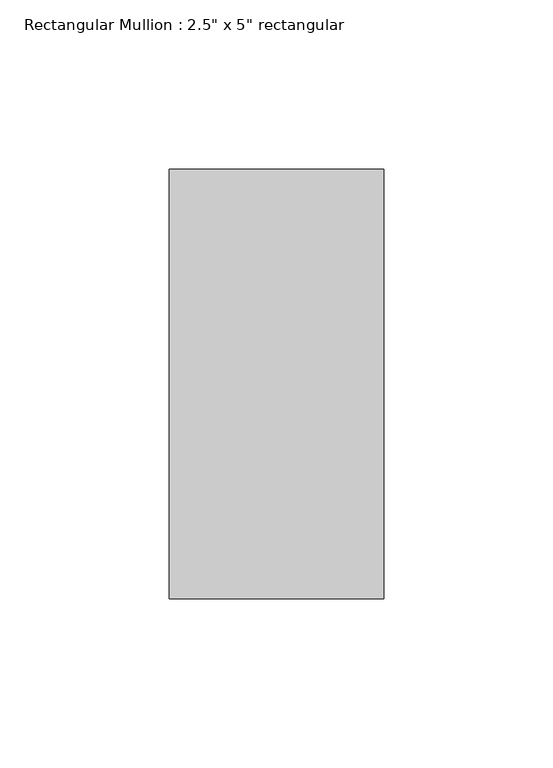
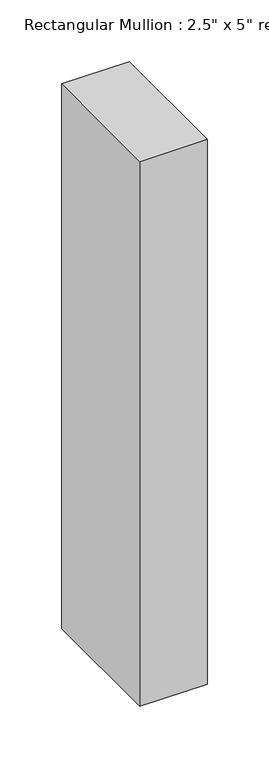
"""IFC4 building model written with IfcOpenShell, lengths in millimetres: member geometry."""

from ifc_helpers import new_model, si_unit, frame, origin, place, context, project, spatial, polyline, outline, extrude, source, transform, mapped, element, save


def member_4ba58ad7(model_context):
    return source(origin(), model_context, "Body", "SweptSolid", [
        extrude(outline(polyline([(31.75, 63.5), (31.75, -63.5), (-31.75, -63.5), (-31.75, 63.5), (31.75, 63.5)])), frame((0.0, 0.0, -540.281477), z_axis=(0.0, 0.0, 1.0), x_axis=(1.0, 0.0, 0.0)), (0.0, 0.0, 1.0), 540.281477),
    ])


if __name__ == "__main__":
    model = new_model("IFC4")
    model_context = context("Model", 3, world=origin())
    ifc_project = project(units=[si_unit("LENGTHUNIT", "METRE", prefix="MILLI")], contexts=[model_context])
    site = spatial("IfcSite", under=ifc_project)
    building = spatial("IfcBuilding", under=site)
    placement = place(None, origin())
    member_shape = member_4ba58ad7(model_context)
    element("IfcMember", 1, ObjectType="Rectangular Mullion : 2.5\" x 5\" rectangular", at=placement, inside=building, context=model_context, shape_type="MappedRepresentation", body=[
        mapped(member_shape, transform((0.0, 0.0, 0.0), x_axis=(1.0, 0.0, 0.0), y_axis=(0.0, 1.0, 0.0), z_axis=(0.0, 0.0, 1.0))),
    ])
    save(model, "model.ifc")
